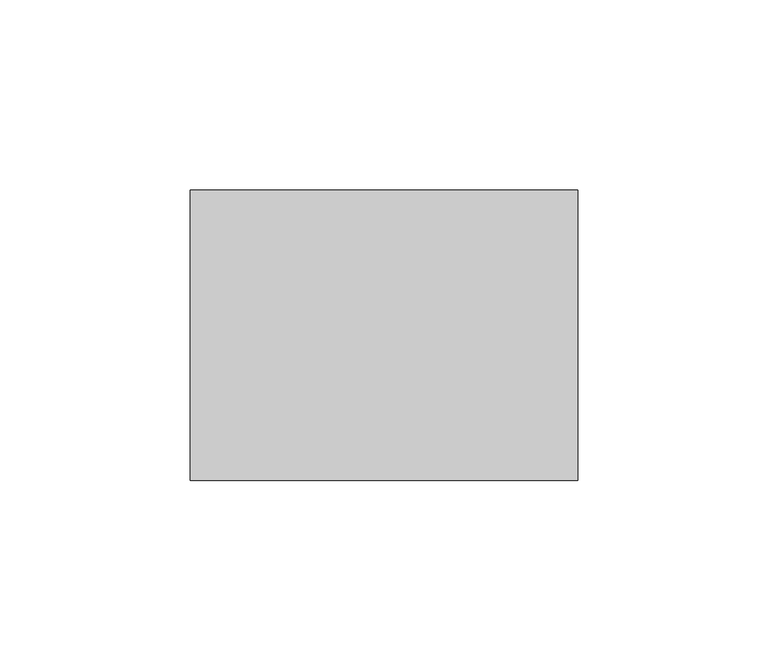
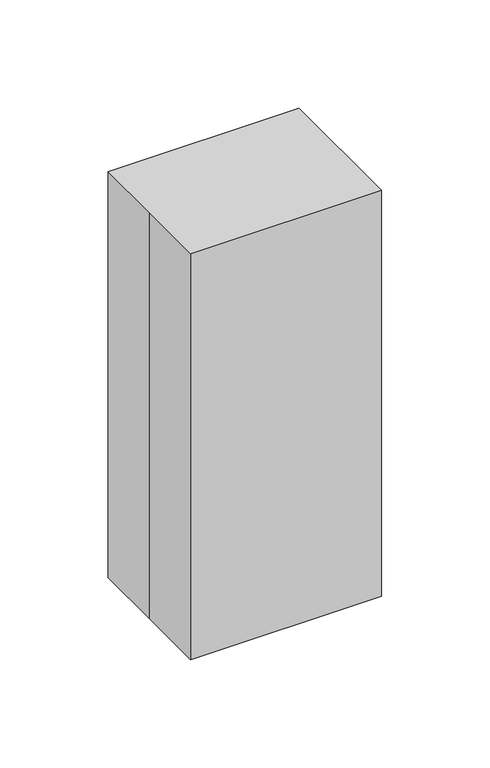
"""IFC4 building model written with IfcOpenShell, lengths in millimetres: proxy geometry."""

from ifc_helpers import new_model, si_unit, frame, origin, origin_with_axes, place, context, project, spatial, polyline, circle_curve, outline, extrude, source, transform, mapped, element, save
from ifc_brep_helpers import plane_surface, cylinder_surface, advanced_brep


def specialty_equipment_d635aa37(model_context):
    return source(origin(), model_context, "Body", "SolidModel", [
        advanced_brep(
        [(-23.9299367, 2.7027988, 171.45), (-26.0031819, 2.7027988, 171.45), (-6.9526581, 2.7027988, 171.45), (-9.0259032, 2.7027988, 171.45), (-23.9299367, 2.7027988, 174.0186334), (-9.0259032, 2.7027988, 174.0186334), (-28.4738494, 2.7027988, 174.0186334), (-4.4819906, 2.7027988, 174.0186334), (-28.4738494, 2.7027988, 176.5632245), (-4.4819906, 2.7027988, 176.5632245), (-26.0031819, 2.7027988, 176.5632245), (-6.9526581, 2.7027988, 176.5632245), (-26.0031819, 2.7027988, 198.0104922), (-6.9526581, 2.7027988, 198.0104922), (-16.47792, 2.7027988, 198.0104922), (-26.0031819, 2.7027988, 158.75), (-16.47792, 2.7027988, 158.75), (-6.9526581, 2.7027988, 158.75)],
        [
            (0, 1),
            (1, 2, circle_curve(frame((-16.47792, 2.7027988, 171.45), z_axis=(0.0, 0.0, 1.0), x_axis=(1.0, 0.0, 0.0)), 9.5252619)),
            (2, 3),
            (3, 0, circle_curve(frame((-16.47792, 2.7027988, 171.45), z_axis=(0.0, 0.0, -1.0), x_axis=(1.0, 0.0, 0.0)), 7.4520167)),
            (2, 1, circle_curve(frame((-16.47792, 2.7027988, 171.45), z_axis=(0.0, 0.0, 1.0), x_axis=(1.0, 0.0, 0.0)), 9.5252619)),
            (0, 3, circle_curve(frame((-16.47792, 2.7027988, 171.45), z_axis=(0.0, 0.0, -1.0), x_axis=(1.0, 0.0, 0.0)), 7.4520167)),
            (4, 0),
            (3, 5),
            (5, 4, circle_curve(frame((-16.47792, 2.7027988, 174.0186334), z_axis=(0.0, 0.0, -1.0), x_axis=(1.0, 0.0, 0.0)), 7.4520167)),
            (4, 5, circle_curve(frame((-16.47792, 2.7027988, 174.0186334), z_axis=(0.0, 0.0, -1.0), x_axis=(1.0, 0.0, 0.0)), 7.4520167)),
            (6, 4),
            (5, 7),
            (7, 6, circle_curve(frame((-16.47792, 2.7027988, 174.0186334), z_axis=(0.0, 0.0, -1.0), x_axis=(1.0, 0.0, 0.0)), 11.9959294)),
            (6, 7, circle_curve(frame((-16.47792, 2.7027988, 174.0186334), z_axis=(0.0, 0.0, -1.0), x_axis=(1.0, 0.0, 0.0)), 11.9959294)),
            (8, 6),
            (7, 9),
            (9, 8, circle_curve(frame((-16.47792, 2.7027988, 176.5632245), z_axis=(0.0, 0.0, -1.0), x_axis=(1.0, 0.0, 0.0)), 11.9959294)),
            (8, 9, circle_curve(frame((-16.47792, 2.7027988, 176.5632245), z_axis=(0.0, 0.0, -1.0), x_axis=(1.0, 0.0, 0.0)), 11.9959294)),
            (10, 8),
            (9, 11),
            (11, 10, circle_curve(frame((-16.47792, 2.7027988, 176.5632245), z_axis=(0.0, 0.0, -1.0), x_axis=(1.0, 0.0, 0.0)), 9.5252619)),
            (10, 11, circle_curve(frame((-16.47792, 2.7027988, 176.5632245), z_axis=(0.0, 0.0, -1.0), x_axis=(1.0, 0.0, 0.0)), 9.5252619)),
            (12, 10),
            (11, 13),
            (13, 12, circle_curve(frame((-16.47792, 2.7027988, 198.0104922), z_axis=(0.0, 0.0, -1.0), x_axis=(1.0, 0.0, 0.0)), 9.5252619)),
            (12, 13, circle_curve(frame((-16.47792, 2.7027988, 198.0104922), z_axis=(0.0, 0.0, -1.0), x_axis=(1.0, 0.0, 0.0)), 9.5252619)),
            (14, 12),
            (13, 14),
            (15, 16),
            (16, 17),
            (17, 15, circle_curve(frame((-16.47792, 2.7027988, 158.75), z_axis=(0.0, 0.0, -1.0), x_axis=(1.0, 0.0, 0.0)), 9.5252619)),
            (15, 17, circle_curve(frame((-16.47792, 2.7027988, 158.75), z_axis=(0.0, 0.0, -1.0), x_axis=(1.0, 0.0, 0.0)), 9.5252619)),
            (1, 15),
            (17, 2),
        ],
        [
            plane_surface(frame((-16.47792, 2.7027988, 171.45), z_axis=(0.0, 0.0, 1.0), x_axis=(1.0, 0.0, 0.0))),
            cylinder_surface(frame((-16.47792, 2.7027988, 189.2632245), z_axis=(0.0, 0.0, 1.0), x_axis=(1.0, 0.0, 0.0)), 7.4520167),
            plane_surface(frame((-16.47792, 2.7027988, 174.0186334), z_axis=(0.0, 0.0, -1.0), x_axis=(1.0, 0.0, 0.0))),
            cylinder_surface(frame((-16.47792, 2.7027988, 189.2632245), z_axis=(0.0, 0.0, 1.0), x_axis=(1.0, 0.0, 0.0)), 11.9959294),
            plane_surface(frame((-16.47792, 2.7027988, 176.5632245), z_axis=(0.0, 0.0, 1.0), x_axis=(1.0, 0.0, 0.0))),
            cylinder_surface(frame((-16.47792, 2.7027988, 189.2632245), z_axis=(0.0, 0.0, 1.0), x_axis=(1.0, 0.0, 0.0)), 9.5252619),
            plane_surface(frame((-16.47792, 2.7027988, 198.0104922), z_axis=(0.0, 0.0, 1.0), x_axis=(1.0, 0.0, 0.0))),
            plane_surface(frame((-16.47792, 2.7027988, 158.75), z_axis=(0.0, 0.0, -1.0), x_axis=(1.0, 0.0, 0.0))),
        ],
        [
            (0, [[1, 2, 3, 4]]),
            (0, [[-3, 5, -1, 6]]),
            (1, [[7, -4, 8, 9]]),
            (1, [[-8, -6, -7, 10]]),
            (2, [[11, -9, 12, 13]]),
            (2, [[-12, -10, -11, 14]]),
            (3, [[15, -13, 16, 17]]),
            (3, [[-16, -14, -15, 18]]),
            (4, [[19, -17, 20, 21]]),
            (4, [[-20, -18, -19, 22]]),
            (5, [[23, -21, 24, 25]]),
            (5, [[-24, -22, -23, 26]]),
            (6, [[27, -25, 28]]),
            (6, [[-28, -26, -27]]),
            (7, [[29, 30, 31]]),
            (7, [[-30, -29, 32]]),
            (5, [[33, -31, 34, -2]]),
            (5, [[-34, -32, -33, -5]]),
        ],
    ),
        advanced_brep(
        [(10.8039714, 2.7027988, 171.45), (8.7307262, 2.7027988, 171.45), (27.78125, 2.7027988, 171.45), (25.7080049, 2.7027988, 171.45), (10.8039714, 2.7027988, 174.0186334), (25.7080049, 2.7027988, 174.0186334), (6.2600587, 2.7027988, 174.0186334), (30.2519175, 2.7027988, 174.0186334), (6.2600587, 2.7027988, 176.5632245), (30.2519175, 2.7027988, 176.5632245), (8.7307262, 2.7027988, 176.5632245), (27.78125, 2.7027988, 176.5632245), (8.7307262, 2.7027988, 198.0104922), (27.78125, 2.7027988, 198.0104922), (18.2559881, 2.7027988, 198.0104922), (8.7307262, 2.7027988, 158.75), (18.2559881, 2.7027988, 158.75), (27.78125, 2.7027988, 158.75)],
        [
            (0, 1),
            (1, 2, circle_curve(frame((18.2559881, 2.7027988, 171.45), z_axis=(0.0, 0.0, 1.0), x_axis=(1.0, 0.0, 0.0)), 9.5252619)),
            (2, 3),
            (3, 0, circle_curve(frame((18.2559881, 2.7027988, 171.45), z_axis=(0.0, 0.0, -1.0), x_axis=(1.0, 0.0, 0.0)), 7.4520167)),
            (2, 1, circle_curve(frame((18.2559881, 2.7027988, 171.45), z_axis=(0.0, 0.0, 1.0), x_axis=(1.0, 0.0, 0.0)), 9.5252619)),
            (0, 3, circle_curve(frame((18.2559881, 2.7027988, 171.45), z_axis=(0.0, 0.0, -1.0), x_axis=(1.0, 0.0, 0.0)), 7.4520167)),
            (4, 0),
            (3, 5),
            (5, 4, circle_curve(frame((18.2559881, 2.7027988, 174.0186334), z_axis=(0.0, 0.0, -1.0), x_axis=(1.0, 0.0, 0.0)), 7.4520167)),
            (4, 5, circle_curve(frame((18.2559881, 2.7027988, 174.0186334), z_axis=(0.0, 0.0, -1.0), x_axis=(1.0, 0.0, 0.0)), 7.4520167)),
            (6, 4),
            (5, 7),
            (7, 6, circle_curve(frame((18.2559881, 2.7027988, 174.0186334), z_axis=(0.0, 0.0, -1.0), x_axis=(1.0, 0.0, 0.0)), 11.9959294)),
            (6, 7, circle_curve(frame((18.2559881, 2.7027988, 174.0186334), z_axis=(0.0, 0.0, -1.0), x_axis=(1.0, 0.0, 0.0)), 11.9959294)),
            (8, 6),
            (7, 9),
            (9, 8, circle_curve(frame((18.2559881, 2.7027988, 176.5632245), z_axis=(0.0, 0.0, -1.0), x_axis=(1.0, 0.0, 0.0)), 11.9959294)),
            (8, 9, circle_curve(frame((18.2559881, 2.7027988, 176.5632245), z_axis=(0.0, 0.0, -1.0), x_axis=(1.0, 0.0, 0.0)), 11.9959294)),
            (10, 8),
            (9, 11),
            (11, 10, circle_curve(frame((18.2559881, 2.7027988, 176.5632245), z_axis=(0.0, 0.0, -1.0), x_axis=(1.0, 0.0, 0.0)), 9.5252619)),
            (10, 11, circle_curve(frame((18.2559881, 2.7027988, 176.5632245), z_axis=(0.0, 0.0, -1.0), x_axis=(1.0, 0.0, 0.0)), 9.5252619)),
            (12, 10),
            (11, 13),
            (13, 12, circle_curve(frame((18.2559881, 2.7027988, 198.0104922), z_axis=(0.0, 0.0, -1.0), x_axis=(1.0, 0.0, 0.0)), 9.5252619)),
            (12, 13, circle_curve(frame((18.2559881, 2.7027988, 198.0104922), z_axis=(0.0, 0.0, -1.0), x_axis=(1.0, 0.0, 0.0)), 9.5252619)),
            (14, 12),
            (13, 14),
            (15, 16),
            (16, 17),
            (17, 15, circle_curve(frame((18.2559881, 2.7027988, 158.75), z_axis=(0.0, 0.0, -1.0), x_axis=(1.0, 0.0, 0.0)), 9.5252619)),
            (15, 17, circle_curve(frame((18.2559881, 2.7027988, 158.75), z_axis=(0.0, 0.0, -1.0), x_axis=(1.0, 0.0, 0.0)), 9.5252619)),
            (1, 15),
            (17, 2),
        ],
        [
            plane_surface(frame((18.2559881, 2.7027988, 171.45), z_axis=(0.0, 0.0, 1.0), x_axis=(1.0, 0.0, 0.0))),
            cylinder_surface(frame((18.2559881, 2.7027988, 189.2632245), z_axis=(0.0, 0.0, 1.0), x_axis=(1.0, 0.0, 0.0)), 7.4520167),
            plane_surface(frame((18.2559881, 2.7027988, 174.0186334), z_axis=(0.0, 0.0, -1.0), x_axis=(1.0, 0.0, 0.0))),
            cylinder_surface(frame((18.2559881, 2.7027988, 189.2632245), z_axis=(0.0, 0.0, 1.0), x_axis=(1.0, 0.0, 0.0)), 11.9959294),
            plane_surface(frame((18.2559881, 2.7027988, 176.5632245), z_axis=(0.0, 0.0, 1.0), x_axis=(1.0, 0.0, 0.0))),
            cylinder_surface(frame((18.2559881, 2.7027988, 189.2632245), z_axis=(0.0, 0.0, 1.0), x_axis=(1.0, 0.0, 0.0)), 9.5252619),
            plane_surface(frame((18.2559881, 2.7027988, 198.0104922), z_axis=(0.0, 0.0, 1.0), x_axis=(1.0, 0.0, 0.0))),
            plane_surface(frame((18.2559881, 2.7027988, 158.75), z_axis=(0.0, 0.0, -1.0), x_axis=(1.0, 0.0, 0.0))),
        ],
        [
            (0, [[1, 2, 3, 4]]),
            (0, [[-3, 5, -1, 6]]),
            (1, [[7, -4, 8, 9]]),
            (1, [[-8, -6, -7, 10]]),
            (2, [[11, -9, 12, 13]]),
            (2, [[-12, -10, -11, 14]]),
            (3, [[15, -13, 16, 17]]),
            (3, [[-16, -14, -15, 18]]),
            (4, [[19, -17, 20, 21]]),
            (4, [[-20, -18, -19, 22]]),
            (5, [[23, -21, 24, 25]]),
            (5, [[-24, -22, -23, 26]]),
            (6, [[27, -25, 28]]),
            (6, [[-28, -26, -27]]),
            (7, [[29, 30, 31]]),
            (7, [[-30, -29, 32]]),
            (5, [[33, -31, 34, -2]]),
            (5, [[-34, -32, -33, -5]]),
        ],
    ),
        extrude(outline(polyline([(21.2963052, 27.384375), (21.2963052, 24.209375), (-21.3437711, 24.209375), (-21.3437711, 27.384375), (21.2963052, 27.384375)])), frame((0.0, 0.0, 127.1638698), z_axis=(0.0, 0.0, 1.0), x_axis=(1.0, 0.0, 0.0)), (0.0, 0.0, 1.0), 19.05),
        extrude(outline(polyline([(120.8138698, 27.6463052), (152.5638698, 27.6463052), (152.5638698, -27.6937711), (120.8138698, -27.6937711), (120.8138698, 27.6463052)]), holes=[polyline([(146.2138698, 21.2963052), (127.1638698, 21.2963052), (127.1638698, -21.3437711), (146.2138698, -21.3437711), (146.2138698, 21.2963052)])]), frame((0.0, 25.4, 0.0), z_axis=(0.0, 1.0, 0.0), x_axis=(0.0, 0.0, 1.0)), (0.0, 0.0, 1.0), 2.4626185),
        extrude(outline(polyline([(34.925, 25.4), (34.925, -19.05), (-34.925, -19.05), (-34.925, 25.4), (34.925, 25.4)])), frame((0.0, 0.0, 50.8), z_axis=(0.0, 0.0, 1.0), x_axis=(1.0, 0.0, 0.0)), (0.0, 0.0, 1.0), 107.95),
        extrude(outline(polyline([(38.1, 28.575), (38.1, -22.225), (-38.1, -22.225), (-38.1, 28.575), (38.1, 28.575)])), origin_with_axes(), (0.0, 0.0, 1.0), 50.8),
        extrude(outline(polyline([(-50.8, -38.1), (-50.8, 0.0), (-50.8, 38.1), (50.8, 38.1), (50.8, -38.1), (-50.8, -38.1)])), origin_with_axes(), (0.0, 0.0, 1.0), 228.6),
    ])


if __name__ == "__main__":
    model = new_model("IFC4")
    model_context = context("Model", 3, world=origin())
    ifc_project = project(units=[si_unit("LENGTHUNIT", "METRE", prefix="MILLI")], contexts=[model_context])
    site = spatial("IfcSite", under=ifc_project)
    building = spatial("IfcBuilding", under=site)
    placement = place(None, origin())
    specialty_equipment_shape = specialty_equipment_d635aa37(model_context)
    element("IfcBuildingElementProxy", 1, Name="Specialty Equipment", at=placement, inside=building, context=model_context, shape_type="MappedRepresentation", body=[
        mapped(specialty_equipment_shape, transform((0.0, 0.0, 0.0), x_axis=(1.0, 0.0, 0.0), y_axis=(0.0, 1.0, 0.0), z_axis=(0.0, 0.0, 1.0))),
    ])
    save(model, "model.ifc")
